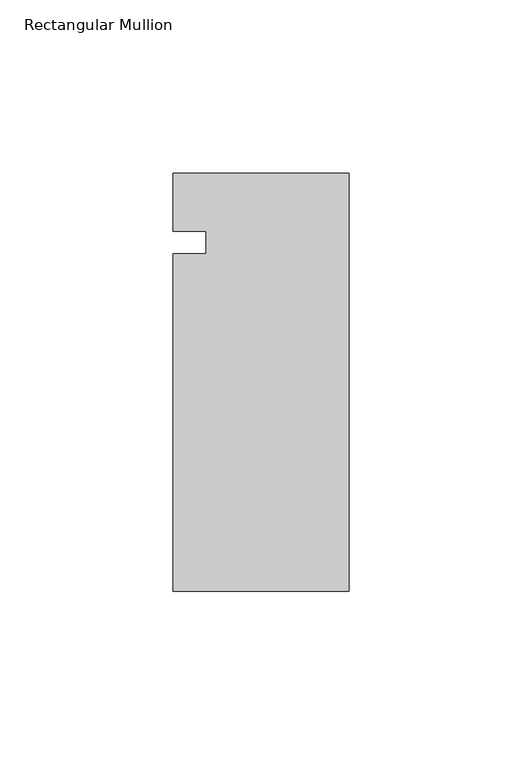
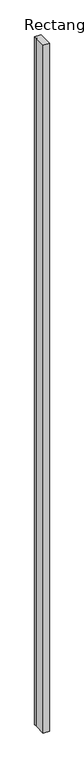
"""IFC4 building model written with IfcOpenShell, lengths in millimetres: member geometry, Rectangular Mullion."""

from ifc_helpers import new_model, si_unit, frame, origin, place, context, project, spatial, polyline, outline, extrude, source, transform, mapped, element, save


def rectangular_mullion_ac8c7720(model_context):
    return source(origin(), model_context, "Body", "SweptSolid", [
        extrude(outline(polyline([(-50.7746, 37.4716396), (-41.2496, 37.4716396), (-41.2496, 43.911878), (-50.7746, 43.911878), (-50.7746, 60.7056888), (0.0, 60.7056888), (0.0, -59.9443112), (-50.7746, -59.9443112), (-50.7746, 37.4716396)])), frame((0.0, 0.0, -6000.75), z_axis=(0.0, 0.0, 1.0), x_axis=(1.0, 0.0, 0.0)), (0.0, 0.0, 1.0), 6000.75),
    ])


if __name__ == "__main__":
    model = new_model("IFC4")
    model_context = context("Model", 3, world=origin())
    ifc_project = project(units=[si_unit("LENGTHUNIT", "METRE", prefix="MILLI")], contexts=[model_context])
    site = spatial("IfcSite", under=ifc_project)
    building = spatial("IfcBuilding", under=site)
    placement = place(None, origin())
    rectangular_mullion_shape = rectangular_mullion_ac8c7720(model_context)
    element("IfcMember", 1, ObjectType="Rectangular Mullion", at=placement, inside=building, context=model_context, shape_type="MappedRepresentation", body=[
        mapped(rectangular_mullion_shape, transform((0.0, 0.0, 0.0), x_axis=(1.0, 0.0, 0.0), y_axis=(0.0, 1.0, 0.0), z_axis=(0.0, 0.0, 1.0))),
    ])
    save(model, "model.ifc")
